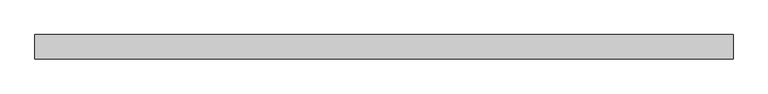
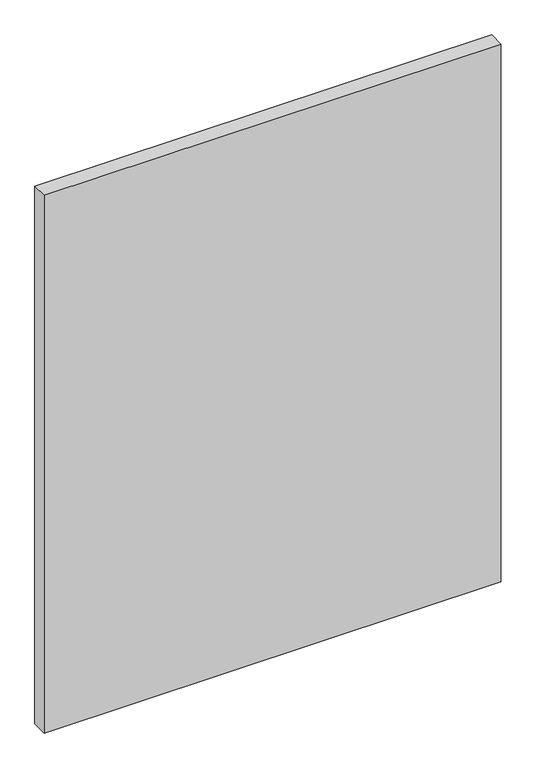
"""IFC4 building model written with IfcOpenShell, lengths in millimetres: plate geometry."""

from ifc_helpers import new_model, si_unit, origin, origin_with_axes, place, context, project, spatial, polyline, outline, extrude, source, transform, mapped, element, save


def plate_f6740eec(model_context):
    return source(origin(), model_context, "Body", "SweptSolid", [
        extrude(outline(polyline([(708.4465304, -24.60625), (-708.4465304, -24.60625), (-708.4465304, 24.60625), (708.4465304, 24.60625), (708.4465304, -24.60625)])), origin_with_axes(), (0.0, 0.0, 1.0), 1761.3),
    ])


if __name__ == "__main__":
    model = new_model("IFC4")
    model_context = context("Model", 3, world=origin())
    ifc_project = project(units=[si_unit("LENGTHUNIT", "METRE", prefix="MILLI")], contexts=[model_context])
    site = spatial("IfcSite", under=ifc_project)
    building = spatial("IfcBuilding", under=site)
    placement = place(None, origin())
    plate_shape = plate_f6740eec(model_context)
    element("IfcPlate", 1, at=placement, inside=building, context=model_context, shape_type="MappedRepresentation", body=[
        mapped(plate_shape, transform((0.0, 0.0, 0.0), x_axis=(1.0, 0.0, 0.0), y_axis=(0.0, 1.0, 0.0), z_axis=(0.0, 0.0, 1.0))),
    ])
    save(model, "model.ifc")
